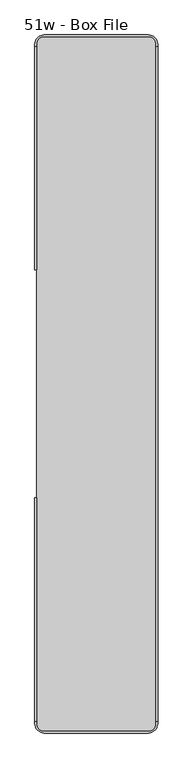
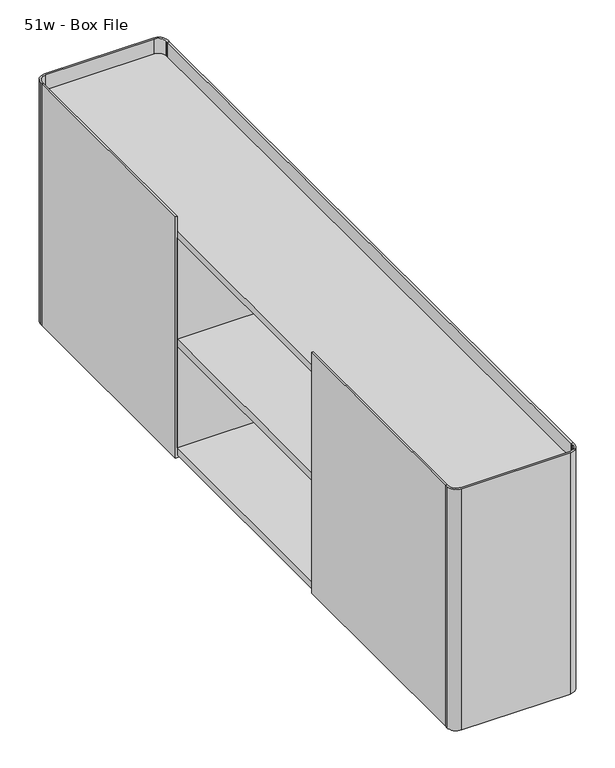
"""IFC4 building model written with IfcOpenShell, lengths in millimetres: furniture geometry, 51w - Box File."""

from ifc_helpers import new_model, si_unit, point, frame, frame_2d, origin, place, context, project, spatial, polyline, circle_curve, trimmed, segment, composite_curve, outline, extrude, source, transform, mapped, element, save


def furniture_51w_box_file_2a9fc028(model_context):
    return source(origin(), model_context, "Body", "SweptSolid", [
        extrude(outline(composite_curve([segment(trimmed(circle_curve(frame_2d((96.8375, 798.524692)), 17.4625), [point((96.8375, 815.987192))], [point((114.3, 798.524692))], False, "CARTESIAN"), True, "CONTINUOUS"), segment(polyline([(114.3, 798.524692), (114.3, 795.349692), (111.125, 795.349692), (111.125, 798.524692)]), True, "CONTINUOUS"), segment(trimmed(circle_curve(frame_2d((96.8375, 798.524692)), 14.2875), [point((111.125, 798.524692))], [point((96.8375, 812.812192))], True, "CARTESIAN"), True, "CONTINUOUS"), segment(polyline([(96.8375, 812.812192), (-96.8375, 812.812192)]), True, "CONTINUOUS"), segment(trimmed(circle_curve(frame_2d((-96.8375, 798.524692)), 14.2875), [point((-96.8375, 812.812192))], [point((-111.125, 798.524692))], True, "CARTESIAN"), True, "CONTINUOUS"), segment(polyline([(-111.125, 798.524692), (-111.125, 795.349692), (-114.3, 795.349692), (-114.3, 798.524692)]), True, "CONTINUOUS"), segment(trimmed(circle_curve(frame_2d((-96.8375, 798.524692)), 17.4625), [point((-114.3, 798.524692))], [point((-96.8375, 815.987192))], False, "CARTESIAN"), True, "CONTINUOUS"), segment(polyline([(-96.8375, 815.987192), (96.8375, 815.987192)]), True, "CONTINUOUS")], self_intersect=False)), frame((0.0, 0.0, 279.4), z_axis=(0.0, 0.0, 1.0), x_axis=(1.0, 0.0, 0.0)), (0.0, 0.0, 1.0), 457.2),
        extrude(outline(composite_curve([segment(polyline([(96.8375, -479.412808), (-96.8375, -479.412808)]), True, "CONTINUOUS"), segment(trimmed(circle_curve(frame_2d((-96.8375, -461.950308)), 17.4625), [point((-96.8375, -479.412808))], [point((-114.3, -461.950308))], False, "CARTESIAN"), True, "CONTINUOUS"), segment(polyline([(-114.3, -461.950308), (-114.3, -458.775308), (-111.125, -458.775308), (-111.125, -461.950308)]), True, "CONTINUOUS"), segment(trimmed(circle_curve(frame_2d((-96.8375, -461.950308)), 14.2875), [point((-111.125, -461.950308))], [point((-96.8375, -476.237808))], True, "CARTESIAN"), True, "CONTINUOUS"), segment(polyline([(-96.8375, -476.237808), (96.8375, -476.237808)]), True, "CONTINUOUS"), segment(trimmed(circle_curve(frame_2d((96.8375, -461.950308)), 14.2875), [point((96.8375, -476.237808))], [point((111.125, -461.950308))], True, "CARTESIAN"), True, "CONTINUOUS"), segment(polyline([(111.125, -461.950308), (111.125, -458.775308), (114.3, -458.775308), (114.3, -461.950308)]), True, "CONTINUOUS"), segment(trimmed(circle_curve(frame_2d((96.8375, -461.950308)), 17.4625), [point((114.3, -461.950308))], [point((96.8375, -479.412808))], False, "CARTESIAN"), True, "CONTINUOUS")], self_intersect=False)), frame((0.0, 0.0, 279.4), z_axis=(0.0, 0.0, 1.0), x_axis=(1.0, 0.0, 0.0)), (0.0, 0.0, 1.0), 457.2),
        extrude(outline(polyline([(381.012192, 695.2773648), (381.012192, 299.640625), (403.2370951, 299.640625), (403.2370951, 298.053125), (379.7930077, 298.053125), (379.7930077, 695.2773648), (381.012192, 695.2773648)])), frame((-111.125, 0.0, 0.0), z_axis=(1.0, 0.0, 0.0), x_axis=(0.0, 1.0, 0.0)), (0.0, 0.0, 1.0), 222.25),
        extrude(outline(polyline([(-44.437808, 695.2773648), (-43.2186237, 695.2773648), (-43.2186237, 298.053125), (-66.6627111, 298.053125), (-66.6627111, 299.640625), (-44.437808, 299.640625), (-44.437808, 695.2773648)])), frame((-111.125, 0.0, 0.0), z_axis=(1.0, 0.0, 0.0), x_axis=(0.0, 1.0, 0.0)), (0.0, 0.0, 1.0), 222.25),
        extrude(outline(polyline([(279.4, -114.3), (279.4, -88.8999992), (284.1625, -88.8999992), (284.1625, -111.125), (736.6, -111.125), (736.6, -114.3), (279.4, -114.3)])), frame((0.0, 379.7930077, 0.0), z_axis=(0.0, 1.0, 0.0), x_axis=(0.0, 0.0, 1.0)), (0.0, 0.0, 1.0), 415.5566843),
        extrude(outline(polyline([(279.4, -114.3), (279.4, -88.8999992), (284.1625, -88.8999992), (284.1625, -111.125), (736.6, -111.125), (736.6, -114.3), (279.4, -114.3)])), frame((0.0, -458.775308, 0.0), z_axis=(0.0, 1.0, 0.0), x_axis=(0.0, 0.0, 1.0)), (0.0, 0.0, 1.0), 415.5566843),
        extrude(outline(polyline([(279.4, 114.3), (736.6, 114.3), (736.6, 111.125), (284.1625, 111.125), (284.1625, 88.8999992), (279.4, 88.8999992), (279.4, 114.3)])), frame((0.0, -458.775308, 0.0), z_axis=(0.0, 1.0, 0.0), x_axis=(0.0, 0.0, 1.0)), (0.0, 0.0, 1.0), 1254.125),
        extrude(outline(polyline([(-111.125, -43.2186237), (-111.125, 379.7930077), (111.125, 379.7930077), (111.125, -43.2186237), (-111.125, -43.2186237)])), frame((0.0, 0.0, 490.0929898), z_axis=(0.0, 0.0, 1.0), x_axis=(1.0, 0.0, 0.0)), (0.0, 0.0, 1.0), 13.890625),
        extrude(outline(composite_curve([segment(polyline([(96.8375, -476.237808), (-96.8375, -476.237808)]), True, "CONTINUOUS"), segment(trimmed(circle_curve(frame_2d((-96.8375, -461.950308)), 14.2875), [point((-96.8375, -476.237808))], [point((-111.125, -461.950308))], False, "CARTESIAN"), True, "CONTINUOUS"), segment(polyline([(-111.125, -461.950308), (-111.125, 798.524692)]), True, "CONTINUOUS"), segment(trimmed(circle_curve(frame_2d((-96.8375, 798.524692)), 14.2875), [point((-111.125, 798.524692))], [point((-96.8375, 812.812192))], False, "CARTESIAN"), True, "CONTINUOUS"), segment(polyline([(-96.8375, 812.812192), (96.04375, 812.812192)]), True, "CONTINUOUS"), segment(trimmed(circle_curve(frame_2d((96.04375, 797.730942)), 15.08125), [point((96.04375, 812.812192))], [point((111.125, 797.730942))], False, "CARTESIAN"), True, "CONTINUOUS"), segment(polyline([(111.125, 797.730942), (111.125, -461.950308)]), True, "CONTINUOUS"), segment(trimmed(circle_curve(frame_2d((96.8375, -461.950308)), 14.2875), [point((111.125, -461.950308))], [point((96.8375, -476.237808))], False, "CARTESIAN"), True, "CONTINUOUS")], self_intersect=False)), frame((0.0, 0.0, 695.2773648), z_axis=(0.0, 0.0, 1.0), x_axis=(1.0, 0.0, 0.0)), (0.0, 0.0, 1.0), 13.49375),
        extrude(outline(composite_curve([segment(polyline([(96.8375, -476.237808), (-96.8375, -476.237808)]), True, "CONTINUOUS"), segment(trimmed(circle_curve(frame_2d((-96.8375, -461.950308)), 14.2875), [point((-96.8375, -476.237808))], [point((-111.125, -461.950308))], False, "CARTESIAN"), True, "CONTINUOUS"), segment(polyline([(-111.125, -461.950308), (-111.125, 798.524692)]), True, "CONTINUOUS"), segment(trimmed(circle_curve(frame_2d((-96.8375, 798.524692)), 14.2875), [point((-111.125, 798.524692))], [point((-96.8375, 812.812192))], False, "CARTESIAN"), True, "CONTINUOUS"), segment(polyline([(-96.8375, 812.812192), (96.04375, 812.812192)]), True, "CONTINUOUS"), segment(trimmed(circle_curve(frame_2d((96.04375, 797.730942)), 15.08125), [point((96.04375, 812.812192))], [point((111.125, 797.730942))], False, "CARTESIAN"), True, "CONTINUOUS"), segment(polyline([(111.125, 797.730942), (111.125, -461.950308)]), True, "CONTINUOUS"), segment(trimmed(circle_curve(frame_2d((96.8375, -461.950308)), 14.2875), [point((111.125, -461.950308))], [point((96.8375, -476.237808))], False, "CARTESIAN"), True, "CONTINUOUS")], self_intersect=False)), frame((0.0, 0.0, 284.1625), z_axis=(0.0, 0.0, 1.0), x_axis=(1.0, 0.0, 0.0)), (0.0, 0.0, 1.0), 13.890625),
    ])


if __name__ == "__main__":
    model = new_model("IFC4")
    model_context = context("Model", 3, world=origin())
    ifc_project = project(units=[si_unit("LENGTHUNIT", "METRE", prefix="MILLI")], contexts=[model_context])
    site = spatial("IfcSite", under=ifc_project)
    building = spatial("IfcBuilding", under=site)
    placement = place(None, origin())
    furniture_51w_box_file_shape = furniture_51w_box_file_2a9fc028(model_context)
    element("IfcFurniture", 1, ObjectType="51w - Box File", at=placement, inside=building, context=model_context, shape_type="MappedRepresentation", body=[
        mapped(furniture_51w_box_file_shape, transform((0.0, 0.0, 0.0), x_axis=(1.0, 0.0, 0.0), y_axis=(0.0, 1.0, 0.0), z_axis=(0.0, 0.0, 1.0))),
    ])
    save(model, "model.ifc")
